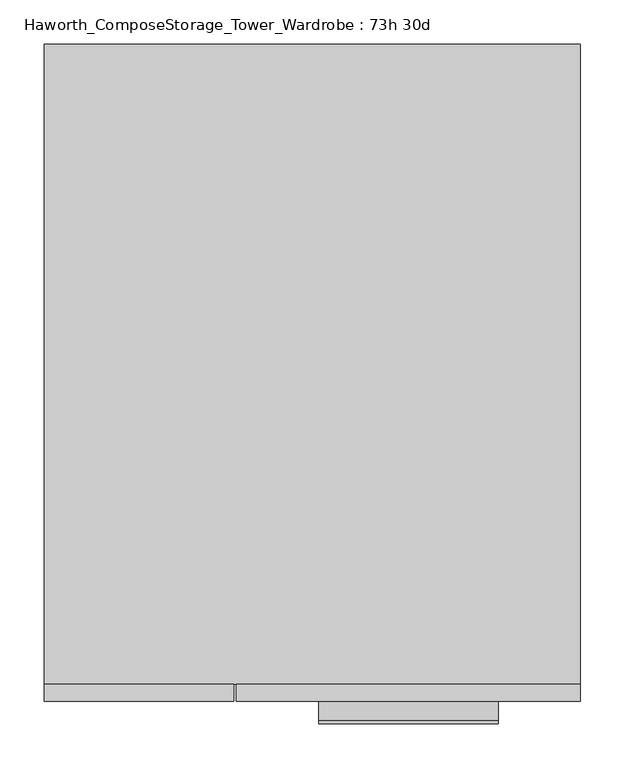
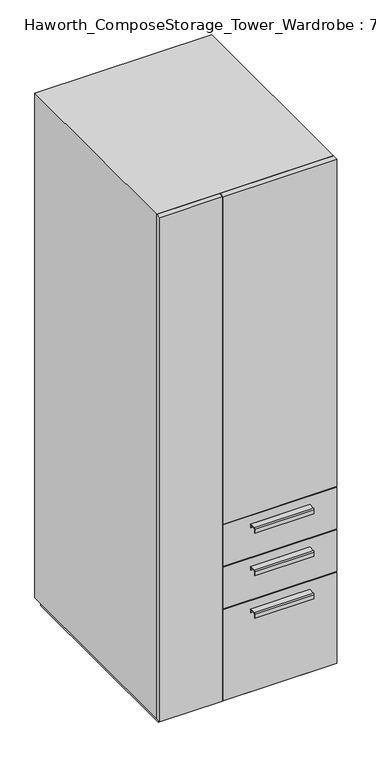
"""IFC4 building model written with IfcOpenShell, lengths in millimetres: furniture geometry, Haworth_ComposeStorage_Tower_Wardrobe : 73h 30d."""

from ifc_helpers import new_model, si_unit, point, frame, frame_2d, origin, origin_with_axes, place, context, project, spatial, polyline, circle_curve, trimmed, segment, composite_curve, outline, extrude, faceted_brep, source, transform, mapped, element, save


def haworth_composestorage_tower_wardrobe_73h_30d_95dd9e1e(model_context):
    return source(origin(), model_context, "Body", "SolidModel", [
        extrude(outline(composite_curve([segment(polyline([(-403.2250242, 633.9919215), (-381.0, 633.9919215), (-381.0, 620.5299525), (-381.7937742, 620.5299525), (-381.7937742, 633.1982199), (-403.2250242, 633.1982199)]), True, "CONTINUOUS"), segment(trimmed(circle_curve(frame_2d((-403.2250242, 630.8142808)), 2.3839392), [point((-403.2250242, 633.1982199))], [point((-405.6089634, 630.8142808))], True, "CARTESIAN"), True, "CONTINUOUS"), segment(polyline([(-405.6089634, 630.8142808), (-405.6089634, 616.2119021), (-406.3999758, 616.2119021), (-406.3999758, 630.8169699)]), True, "CONTINUOUS"), segment(trimmed(circle_curve(frame_2d((-403.2250242, 630.8169699)), 3.1749516), [point((-406.3999758, 630.8169699))], [point((-403.2250242, 633.9919215))], False, "CARTESIAN"), True, "CONTINUOUS")], self_intersect=False)), frame((7.1576406, 0.0, 0.0), z_axis=(1.0, 0.0, 0.0), x_axis=(0.0, 1.0, 0.0)), (0.0, 0.0, 1.0), 203.2),
        extrude(outline(polyline([(303.2263906, -361.95), (303.2263906, -381.0), (-85.7111094, -381.0), (-85.7111094, -361.95), (303.2263906, -361.95)])), frame((0.0, 0.0, 512.7625), z_axis=(0.0, 0.0, 1.0), x_axis=(1.0, 0.0, 0.0)), (0.0, 0.0, 1.0), 150.8125),
        extrude(outline(composite_curve([segment(polyline([(-403.2250242, 480.0044215), (-381.0, 480.0044215), (-381.0, 466.5424525), (-381.7937742, 466.5424525), (-381.7937742, 479.2107199), (-403.2250242, 479.2107199)]), True, "CONTINUOUS"), segment(trimmed(circle_curve(frame_2d((-403.2250242, 476.8267808)), 2.3839392), [point((-403.2250242, 479.2107199))], [point((-405.6089634, 476.8267808))], True, "CARTESIAN"), True, "CONTINUOUS"), segment(polyline([(-405.6089634, 476.8267808), (-405.6089634, 462.2244021), (-406.3999758, 462.2244021), (-406.3999758, 476.8294699)]), True, "CONTINUOUS"), segment(trimmed(circle_curve(frame_2d((-403.2250242, 476.8294699)), 3.1749516), [point((-406.3999758, 476.8294699))], [point((-403.2250242, 480.0044215))], False, "CARTESIAN"), True, "CONTINUOUS")], self_intersect=False)), frame((7.1576406, 0.0, 0.0), z_axis=(1.0, 0.0, 0.0), x_axis=(0.0, 1.0, 0.0)), (0.0, 0.0, 1.0), 203.2),
        extrude(outline(polyline([(303.2263906, -361.95), (303.2263906, -381.0), (-85.7111094, -381.0), (-85.7111094, -361.95), (303.2263906, -361.95)])), frame((0.0, 0.0, 358.775), z_axis=(0.0, 0.0, 1.0), x_axis=(1.0, 0.0, 0.0)), (0.0, 0.0, 1.0), 150.8125),
        extrude(outline(composite_curve([segment(polyline([(-403.2250242, 326.0169215), (-381.0, 326.0169215), (-381.0, 312.5549525), (-381.7937742, 312.5549525), (-381.7937742, 325.2232199), (-403.2250242, 325.2232199)]), True, "CONTINUOUS"), segment(trimmed(circle_curve(frame_2d((-403.2250242, 322.8392808)), 2.3839392), [point((-403.2250242, 325.2232199))], [point((-405.6089634, 322.8392808))], True, "CARTESIAN"), True, "CONTINUOUS"), segment(polyline([(-405.6089634, 322.8392808), (-405.6089634, 308.2369021), (-406.3999758, 308.2369021), (-406.3999758, 322.8419699)]), True, "CONTINUOUS"), segment(trimmed(circle_curve(frame_2d((-403.2250242, 322.8419699)), 3.1749516), [point((-406.3999758, 322.8419699))], [point((-403.2250242, 326.0169215))], False, "CARTESIAN"), True, "CONTINUOUS")], self_intersect=False)), frame((7.1576406, 0.0, 0.0), z_axis=(1.0, 0.0, 0.0), x_axis=(0.0, 1.0, 0.0)), (0.0, 0.0, 1.0), 203.2),
        extrude(outline(polyline([(303.2263906, -361.95), (303.2263906, -381.0), (-85.7111094, -381.0), (-85.7111094, -361.95), (303.2263906, -361.95)])), frame((0.0, 0.0, 25.4), z_axis=(0.0, 0.0, 1.0), x_axis=(1.0, 0.0, 0.0)), (0.0, 0.0, 1.0), 330.2),
        extrude(outline(polyline([(303.2263906, -361.95), (303.2263906, -381.0), (-85.7111094, -381.0), (-85.7111094, -361.95), (303.2263906, -361.95)])), frame((0.0, 0.0, 666.75), z_axis=(0.0, 0.0, 1.0), x_axis=(1.0, 0.0, 0.0)), (0.0, 0.0, 1.0), 1187.45),
        extrude(outline(polyline([(-303.1986094, -381.0), (-303.1986094, -361.95), (-88.8861094, -361.95), (-88.8861094, -381.0), (-303.1986094, -381.0)])), frame((0.0, 0.0, 25.4), z_axis=(0.0, 0.0, 1.0), x_axis=(1.0, 0.0, 0.0)), (0.0, 0.0, 1.0), 1828.8),
        faceted_brep([(-303.1986094, -361.95, 25.4), (303.2263906, -361.95, 25.4), (303.2263906, -361.95, 1854.2), (-303.1986094, -361.95, 1854.2), (-284.1486094, -361.95, 44.45), (-284.1486094, -361.95, 1835.15), (284.1694453, -361.95, 1835.15), (284.1694453, -361.95, 44.45), (-303.1986094, 361.95, 25.4), (-303.1986094, 361.95, 1854.2), (303.2263906, 361.95, 1854.2), (303.2263906, 361.95, 25.4), (-284.1486094, 342.9, 44.45), (-284.1486094, 342.9, 1835.15), (284.1694453, 342.9, 1835.15), (284.1694453, 342.9, 44.45)], [[[0, 1, 2, 3], [4, 5, 6, 7]], [[8, 9, 10, 11]], [[1, 0, 8, 11]], [[2, 1, 11, 10]], [[3, 2, 10, 9]], [[0, 3, 9, 8]], [[5, 4, 12, 13]], [[6, 5, 13, 14]], [[7, 6, 14, 15]], [[4, 7, 15, 12]], [[13, 12, 15, 14]]]),
        extrude(outline(polyline([(290.5263906, -349.25), (-290.4986094, -349.25), (-290.4986094, 349.25), (290.5263906, 349.25), (290.5263906, -349.25)])), origin_with_axes(), (0.0, 0.0, 1.0), 25.4),
    ])


if __name__ == "__main__":
    model = new_model("IFC4")
    model_context = context("Model", 3, world=origin())
    ifc_project = project(units=[si_unit("LENGTHUNIT", "METRE", prefix="MILLI")], contexts=[model_context])
    site = spatial("IfcSite", under=ifc_project)
    building = spatial("IfcBuilding", under=site)
    placement = place(None, origin())
    haworth_composestorage_tower_wardrobe_73h_30d_shape = haworth_composestorage_tower_wardrobe_73h_30d_95dd9e1e(model_context)
    element("IfcFurniture", 1, ObjectType="Haworth_ComposeStorage_Tower_Wardrobe : 73h 30d", at=placement, inside=building, context=model_context, shape_type="MappedRepresentation", body=[
        mapped(haworth_composestorage_tower_wardrobe_73h_30d_shape, transform((0.0, 0.0, 0.0), x_axis=(1.0, 0.0, 0.0), y_axis=(0.0, 1.0, 0.0), z_axis=(0.0, 0.0, 1.0))),
    ])
    save(model, "model.ifc")
